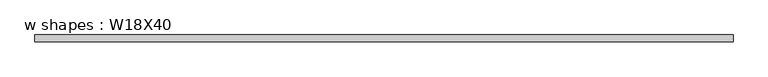
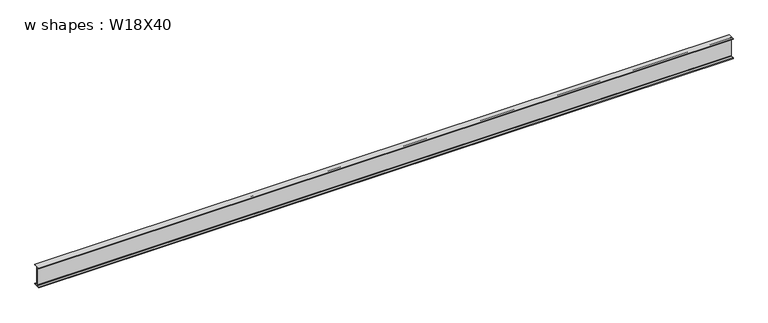
"""IFC4 building model written with IfcOpenShell, lengths in millimetres: beam geometry, w shapes : W18X40."""

from ifc_helpers import new_model, si_unit, point, frame, frame_2d, origin, place, context, project, spatial, polyline, circle_curve, trimmed, segment, composite_curve, outline, extrude, source, transform, mapped, element, save


def w_shapes_w18x40_b298a058(model_context):
    return source(origin(), model_context, "Body", "SweptSolid", [
        extrude(outline(composite_curve([segment(polyline([(76.454, -213.868), (76.454, -227.33), (-76.454, -227.33), (-76.454, -213.868), (-14.224, -213.868)]), True, "CONTINUOUS"), segment(trimmed(circle_curve(frame_2d((-14.224, -203.708)), 10.16), [point((-14.224, -213.868))], [point((-4.064, -203.708))], True, "CARTESIAN"), True, "CONTINUOUS"), segment(polyline([(-4.064, -203.708), (-4.064, 203.708)]), True, "CONTINUOUS"), segment(trimmed(circle_curve(frame_2d((-14.224, 203.708)), 10.16), [point((-4.064, 203.708))], [point((-14.224, 213.868))], True, "CARTESIAN"), True, "CONTINUOUS"), segment(polyline([(-14.224, 213.868), (-76.454, 213.868), (-76.454, 227.33), (76.454, 227.33), (76.454, 213.868), (14.224, 213.868)]), True, "CONTINUOUS"), segment(trimmed(circle_curve(frame_2d((14.224, 203.708)), 10.16), [point((14.224, 213.868))], [point((4.064, 203.708))], True, "CARTESIAN"), True, "CONTINUOUS"), segment(polyline([(4.064, 203.708), (4.064, -203.708)]), True, "CONTINUOUS"), segment(trimmed(circle_curve(frame_2d((14.224, -203.708)), 10.16), [point((4.064, -203.708))], [point((14.224, -213.868))], True, "CARTESIAN"), True, "CONTINUOUS"), segment(polyline([(14.224, -213.868), (76.454, -213.868)]), True, "CONTINUOUS")], self_intersect=False)), frame((-7607.0404903, 0.0, 0.0), z_axis=(1.0, 0.0, 0.0), x_axis=(0.0, 1.0, 0.0)), (0.0, 0.0, 1.0), 15214.0809806),
    ])


if __name__ == "__main__":
    model = new_model("IFC4")
    model_context = context("Model", 3, world=origin())
    ifc_project = project(units=[si_unit("LENGTHUNIT", "METRE", prefix="MILLI")], contexts=[model_context])
    site = spatial("IfcSite", under=ifc_project)
    building = spatial("IfcBuilding", under=site)
    placement = place(None, origin())
    w_shapes_w18x40_shape = w_shapes_w18x40_b298a058(model_context)
    element("IfcBeam", 1, ObjectType="w shapes : W18X40", at=placement, inside=building, context=model_context, shape_type="MappedRepresentation", body=[
        mapped(w_shapes_w18x40_shape, transform((0.0, 0.0, 0.0), x_axis=(1.0, 0.0, 0.0), y_axis=(0.0, 1.0, 0.0), z_axis=(0.0, 0.0, 1.0))),
    ])
    save(model, "model.ifc")
